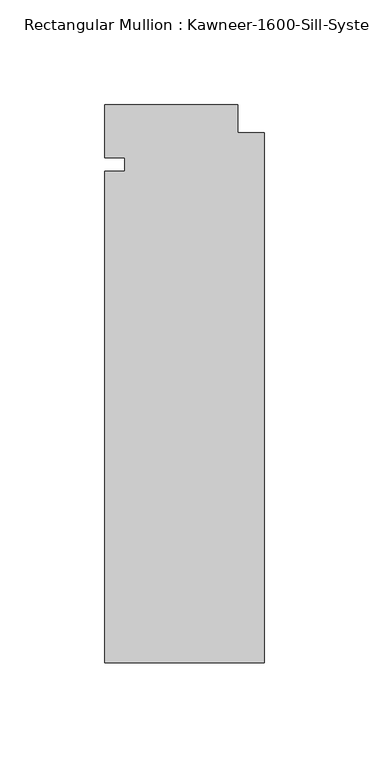
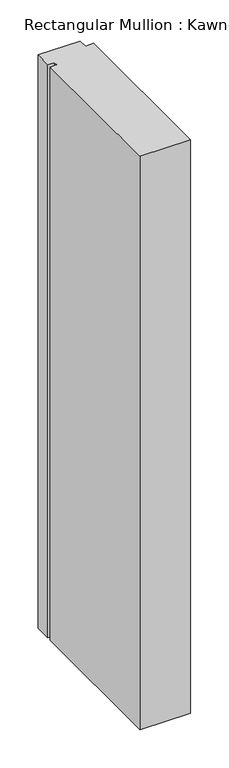
"""IFC4 building model written with IfcOpenShell, lengths in millimetres: member geometry."""

import ifcopenshell
import ifcopenshell.guid

model = None  # the IFC model being written
_history = None  # IfcOwnerHistory: only IFC2X3 demands one
_inside = {}  # id of a spatial element -> (the spatial element, [elements in it])
_under = {}  # id of a project, library or spatial element -> (it, [spatial elements below it])
_declared = {}  # id of a project -> (the project, [libraries it declares])
_typed = {}  # id of a type object -> (the type object, [elements of that type])
_made_of = {}  # id of a material, layer set ... -> (it, [elements and type objects made of it])


def new_model(schema):
    """Start an empty IFC model of exactly this schema.

    Asked for "IFC4X3", IfcOpenShell would pick the latest addendum, in which some entities
    have other attributes; the version numbers below select the first issue.
    IFC2X3 requires an IfcOwnerHistory on every rooted entity: one is made here for all.
    """
    global model, _history
    if schema == "IFC4X3":
        model = ifcopenshell.file(schema_version=(4, 3, 0, 0))
    else:
        model = ifcopenshell.file(schema=schema)
    _inside.clear()
    _under.clear()
    _declared.clear()
    _typed.clear()
    _made_of.clear()
    _history = None
    if model.schema == "IFC2X3":
        org = make("IfcOrganization", Name="unknown")
        user = make(
            "IfcPersonAndOrganization",
            ThePerson=make("IfcPerson", FamilyName="unknown"),
            TheOrganization=org,
        )
        app = make(
            "IfcApplication",
            ApplicationDeveloper=org,
            Version="unknown",
            ApplicationFullName="unknown",
            ApplicationIdentifier="unknown",
        )
        _history = make(
            "IfcOwnerHistory",
            OwningUser=user,
            OwningApplication=app,
            ChangeAction="ADDED",
            CreationDate=0,
        )
    return model


def make(cls, **values):
    """One entity of the class cls with the attributes given. An attribute that is None is left unset."""
    return model.create_entity(
        cls, **{name: value for name, value in values.items() if value is not None}
    )


def rooted(cls, **values):
    """An entity with a GlobalId (a new one), such as an element, a storey or a relation."""
    return make(cls, GlobalId=ifcopenshell.guid.new(), OwnerHistory=_history, **values)


def si_unit(unit_type, name, prefix=None):
    """IfcSIUnit, for example si_unit("LENGTHUNIT", "METRE", prefix="MILLI")."""
    return make("IfcSIUnit", UnitType=unit_type, Prefix=prefix, Name=name)


def assignment(units):
    """IfcUnitAssignment: the units of a project."""
    return None if units is None else make("IfcUnitAssignment", Units=units)


def point(xyz):
    """IfcCartesianPoint."""
    return None if xyz is None else make("IfcCartesianPoint", Coordinates=xyz)


def direction(xyz):
    """IfcDirection."""
    return None if xyz is None else make("IfcDirection", DirectionRatios=xyz)


def frame(location, z_axis=None, x_axis=None):
    """IfcAxis2Placement3D, a coordinate frame: its origin and axes. An axis left out is left unset."""
    return make(
        "IfcAxis2Placement3D",
        Location=point(location),
        Axis=direction(z_axis),
        RefDirection=direction(x_axis),
    )


def origin():
    """The frame at (0, 0, 0) with its axes left unset."""
    return frame((0.0, 0.0, 0.0))


def place(relative_to, where):
    """IfcLocalPlacement: puts the frame where relative to a parent placement (None: the world)."""
    return make(
        "IfcLocalPlacement", PlacementRelTo=relative_to, RelativePlacement=where
    )


def context(
    kind, dimensions, precision=None, world=None, true_north=None, identifier=None
):
    """IfcGeometricRepresentationContext, for example the 3D "Model" context."""
    return make(
        "IfcGeometricRepresentationContext",
        ContextIdentifier=identifier,
        ContextType=kind,
        CoordinateSpaceDimension=dimensions,
        Precision=precision,
        WorldCoordinateSystem=world,
        TrueNorth=true_north,
    )


def project(units=None, contexts=None):
    """IfcProject with its units and contexts."""
    return rooted(
        "IfcProject",
        Name="project",
        RepresentationContexts=contexts,
        UnitsInContext=assignment(units),
    )


def spatial(cls, under=None, at=None, **own):
    """A site, building, storey or space (cls), placed at a placement, below another one or the project."""
    s = rooted(cls, ObjectPlacement=at, **own)
    if under is not None:
        _under.setdefault(under.id(), (under, []))[1].append(s)
    return s


def polyline(points):
    """IfcPolyline through the points."""
    return make("IfcPolyline", Points=[point(p) for p in points])


def outline(outer, holes=None, kind="AREA"):
    """IfcArbitraryClosedProfileDef: a profile drawn as a closed curve; with holes, ...WithVoids."""
    if holes is None:
        return make("IfcArbitraryClosedProfileDef", ProfileType=kind, OuterCurve=outer)
    return make(
        "IfcArbitraryProfileDefWithVoids",
        ProfileType=kind,
        OuterCurve=outer,
        InnerCurves=holes,
    )


def extrude(swept, where, along, depth):
    """IfcExtrudedAreaSolid: the profile swept, set in the frame where, extruded along a direction by depth."""
    return make(
        "IfcExtrudedAreaSolid",
        SweptArea=swept,
        Position=where,
        ExtrudedDirection=direction(along),
        Depth=depth,
    )


def shape(context_of_items, identifier, shape_type, items):
    """IfcShapeRepresentation: the items that make up one representation, for example the "Body"."""
    return make(
        "IfcShapeRepresentation",
        ContextOfItems=context_of_items,
        RepresentationIdentifier=identifier,
        RepresentationType=shape_type,
        Items=items,
    )


def source(mapping_origin, context_of_items, identifier, shape_type, items):
    """IfcRepresentationMap: a shape defined once, which mapped items show again and again."""
    return make(
        "IfcRepresentationMap",
        MappingOrigin=mapping_origin,
        MappedRepresentation=shape(context_of_items, identifier, shape_type, items),
    )


def transform(
    local_origin,
    x_axis=None,
    y_axis=None,
    z_axis=None,
    scale=None,
    scale2=None,
    scale3=None,
    uniform=True,
):
    """IfcCartesianTransformationOperator3D, or its non-uniform kind. x_axis, y_axis, z_axis: its Axis1, 2, 3."""
    if uniform:
        return make(
            "IfcCartesianTransformationOperator3D",
            Axis1=direction(x_axis),
            Axis2=direction(y_axis),
            LocalOrigin=point(local_origin),
            Scale=scale,
            Axis3=direction(z_axis),
        )
    return make(
        "IfcCartesianTransformationOperator3DnonUniform",
        Axis1=direction(x_axis),
        Axis2=direction(y_axis),
        LocalOrigin=point(local_origin),
        Scale=scale,
        Axis3=direction(z_axis),
        Scale2=scale2,
        Scale3=scale3,
    )


def mapped(mapping_source, mapping_target):
    """IfcMappedItem: shows the shape of a source again, moved by a transform."""
    return make(
        "IfcMappedItem", MappingSource=mapping_source, MappingTarget=mapping_target
    )


def made_of(thing, what):
    """Note that an element or type object is made of a material, layer set ...; save() writes the relation."""
    if what is not None:
        _made_of.setdefault(what.id(), (what, []))[1].append(thing)
    return thing


def element(
    cls,
    number,
    at=None,
    inside=None,
    cuts=None,
    type_object=None,
    material=None,
    context=None,
    identifier="Body",
    shape_type=None,
    held_by="IfcProductDefinitionShape",
    body=None,
    shapes=None,
    **own,
):
    """One element of the class cls, such as IfcWall. Its Tag is "e" and its number.

    at: its placement. inside: the storey or other place that contains it. cuts: it is an
    opening in that element (IfcRelVoidsElement). A single representation is given by context,
    identifier, shape_type and body (its items); several are given by shapes. held_by: the class
    of the entity that holds the representations. save() writes the other relations.
    """
    e = rooted(cls, Tag="e%d" % number, ObjectPlacement=at, **own)
    if body is not None:
        shapes = [shape(context, identifier, shape_type, body)]
    if shapes is not None:
        e.Representation = make(held_by, Representations=shapes)
    if inside is not None:
        _inside.setdefault(inside.id(), (inside, []))[1].append(e)
    if cuts is not None:
        rooted(
            "IfcRelVoidsElement", RelatingBuildingElement=cuts, RelatedOpeningElement=e
        )
    if type_object is not None:
        _typed.setdefault(type_object.id(), (type_object, []))[1].append(e)
    return made_of(e, material)


def aggregate(whole, parts):
    """IfcRelAggregates: a whole, such as a stair, and the parts it consists of."""
    return rooted("IfcRelAggregates", RelatingObject=whole, RelatedObjects=parts)


def save(model, path):
    """Write the relations noted so far, then the file.

    IfcRelAggregates (storeys below a building ...), IfcRelContainedInSpatialStructure (elements
    in a storey), IfcRelDefinesByType, IfcRelAssociatesMaterial and IfcRelDeclares: one each for
    every whole, place, type object, material and project.
    """
    for whole, parts in _under.values():
        aggregate(whole, parts)
    for where, things in _inside.values():
        rooted(
            "IfcRelContainedInSpatialStructure",
            RelatedElements=things,
            RelatingStructure=where,
        )
    for kind, things in _typed.values():
        rooted("IfcRelDefinesByType", RelatedObjects=things, RelatingType=kind)
    for what, things in _made_of.values():
        rooted("IfcRelAssociatesMaterial", RelatedObjects=things, RelatingMaterial=what)
    for by, libraries in _declared.values():
        rooted("IfcRelDeclares", RelatingContext=by, RelatedDefinitions=libraries)
    model.write(path)


def member_4b571b0b(model_context):
    return source(origin(), model_context, "Body", "SweptSolid", [
        extrude(outline(polyline([(-76.2, -3.175), (-66.675, -3.175), (-66.675, 3.175), (-76.2, 3.175), (-76.2, 28.575), (-12.7, 28.575), (-12.7, 15.08125), (0.0, 15.08125), (0.0, -238.125), (-76.2, -238.125), (-76.2, -3.175)])), frame((0.0, 0.0, -914.4), z_axis=(0.0, 0.0, 1.0), x_axis=(1.0, 0.0, 0.0)), (0.0, 0.0, 1.0), 914.4),
    ])


if __name__ == "__main__":
    model = new_model("IFC4")
    model_context = context("Model", 3, world=origin())
    ifc_project = project(units=[si_unit("LENGTHUNIT", "METRE", prefix="MILLI")], contexts=[model_context])
    site = spatial("IfcSite", under=ifc_project)
    building = spatial("IfcBuilding", under=site)
    placement = place(None, origin())
    member_shape = member_4b571b0b(model_context)
    element("IfcMember", 1, ObjectType="Rectangular Mullion : Kawneer-1600-Sill-System1-10_1/2\"-1/4\"Infill", at=placement, inside=building, context=model_context, shape_type="MappedRepresentation", body=[
        mapped(member_shape, transform((0.0, 0.0, 0.0), x_axis=(1.0, 0.0, 0.0), y_axis=(0.0, 1.0, 0.0), z_axis=(0.0, 0.0, 1.0))),
    ])
    save(model, "model.ifc")
